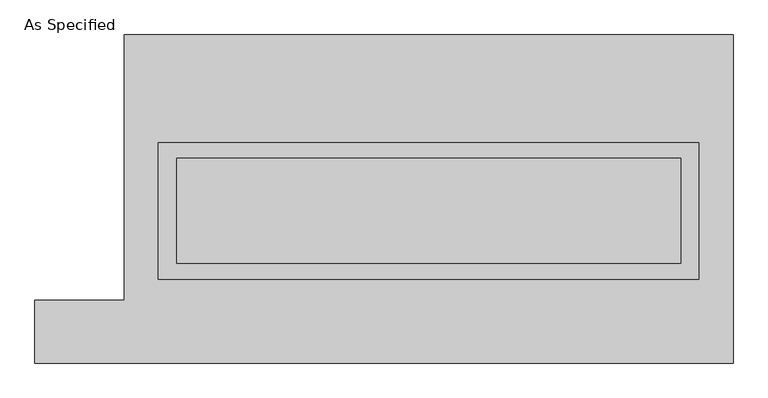
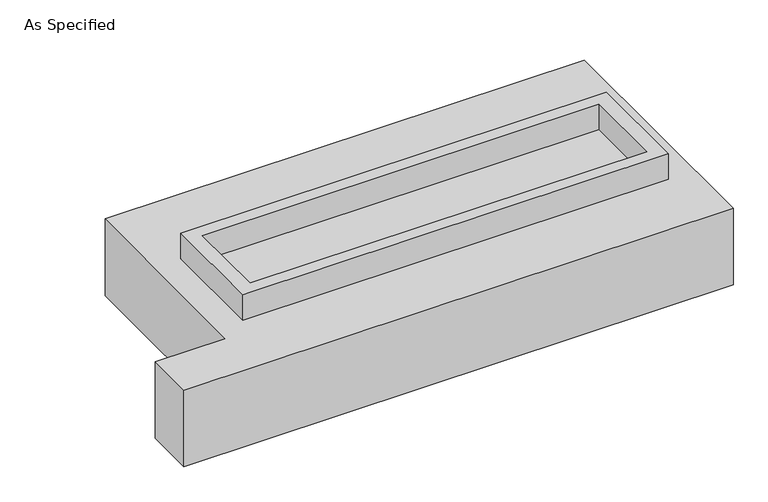
"""IFC4 building model written with IfcOpenShell, lengths in millimetres: proxy geometry, As Specified."""

from ifc_helpers import new_model, si_unit, frame, origin, place, context, project, spatial, polyline, outline, extrude, faceted_brep, source, transform, mapped, element, save


def as_specified_c597ac4e(model_context):
    return source(origin(), model_context, "Body", "SolidModel", [
        extrude(outline(polyline([(1308.1, 273.05), (1308.1, -387.35), (-1308.1, -387.35), (-1308.1, 273.05), (1308.1, 273.05)]), holes=[polyline([(1219.2, 196.85), (-1219.2, 196.85), (-1219.2, -311.15), (1219.2, -311.15), (1219.2, 196.85)])]), frame((0.0, 0.0, -25.4), z_axis=(0.0, 0.0, 1.0), x_axis=(1.0, 0.0, 0.0)), (0.0, 0.0, 1.0), 165.1),
        extrude(outline(polyline([(1219.2, 196.85), (1219.2, -311.15), (-1219.2, -311.15), (-1219.2, 196.85), (1219.2, 196.85)])), frame((0.0, 0.0, -30.3609375), z_axis=(0.0, 0.0, 1.0), x_axis=(1.0, 0.0, 0.0)), (0.0, 0.0, 1.0), 4.9609375),
        faceted_brep([(-1473.2, 793.75, -523.875), (1473.2, 793.75, -523.875), (1473.2, -793.75, -523.875), (-1905.0, -793.75, -523.875), (-1905.0, -488.95, -523.875), (-1473.2, -488.95, -523.875), (1473.2, 793.75, -25.4), (-1473.2, 793.75, -25.4), (-1473.2, -488.95, -25.4), (-1905.0, -488.95, -25.4), (-1905.0, -793.75, -25.4), (1473.2, -793.75, -25.4), (-1308.1, -387.35, -25.4), (-1308.1, 273.05, -25.4), (1308.1, 273.05, -25.4), (1308.1, -387.35, -25.4), (1308.1, 273.05, -498.475), (-1308.1, 273.05, -498.475), (-1308.1, -387.35, -498.475), (1308.1, -387.35, -498.475)], [[[0, 1, 2, 3, 4, 5]], [[6, 7, 8, 9, 10, 11], [12, 13, 14, 15]], [[1, 0, 7, 6]], [[7, 0, 5, 8]], [[1, 6, 11, 2]], [[16, 17, 18, 19]], [[18, 17, 13, 12]], [[17, 16, 14, 13]], [[16, 19, 15, 14]], [[12, 15, 19, 18]], [[3, 2, 11, 10]], [[5, 4, 9, 8]], [[4, 3, 10, 9]]]),
    ])


if __name__ == "__main__":
    model = new_model("IFC4")
    model_context = context("Model", 3, world=origin())
    ifc_project = project(units=[si_unit("LENGTHUNIT", "METRE", prefix="MILLI")], contexts=[model_context])
    site = spatial("IfcSite", under=ifc_project)
    building = spatial("IfcBuilding", under=site)
    placement = place(None, origin())
    as_specified_shape = as_specified_c597ac4e(model_context)
    element("IfcBuildingElementProxy", 1, Name="As Specified", ObjectType="As Specified", at=placement, inside=building, context=model_context, shape_type="MappedRepresentation", body=[
        mapped(as_specified_shape, transform((0.0, 0.0, 0.0), x_axis=(1.0, 0.0, 0.0), y_axis=(0.0, 1.0, 0.0), z_axis=(0.0, 0.0, 1.0))),
    ])
    save(model, "model.ifc")
